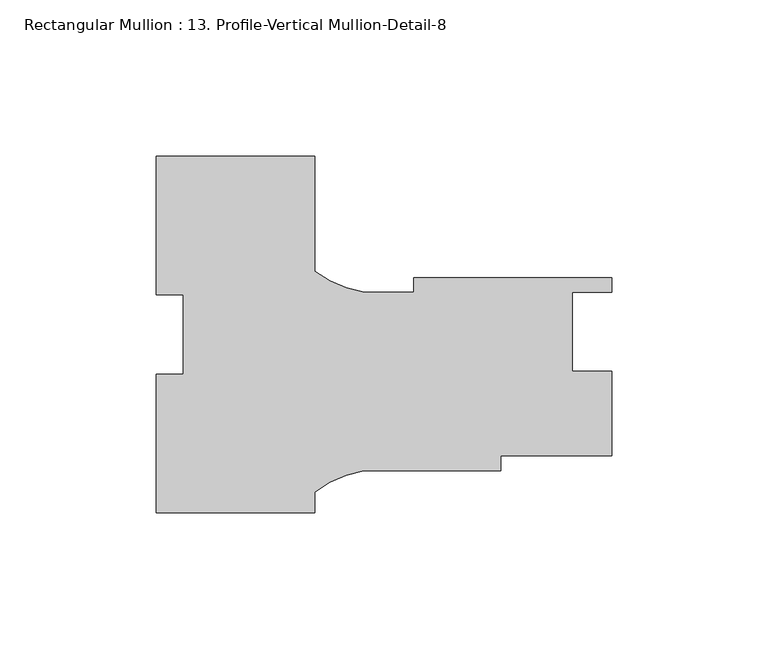
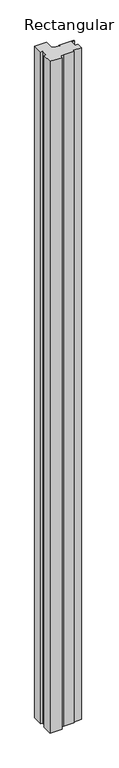
"""IFC4 building model written with IfcOpenShell, lengths in millimetres: member geometry, Rectangular Mullion : 13. Profile-Vertical Mullion-Detail-8."""

from ifc_helpers import new_model, si_unit, point, frame, frame_2d, origin, place, context, project, spatial, polyline, circle_curve, trimmed, segment, composite_curve, outline, extrude, source, transform, mapped, element, save


def rectangular_mullion_13_profile_vertical_mullion_detail_8_fdef3872(model_context):
    return source(origin(), model_context, "Body", "SweptSolid", [
        extrude(outline(composite_curve([segment(polyline([(-25.4, 13.0882322), (-25.4, 57.5055365), (25.4, 57.5055365), (25.4, 20.6795716)]), True, "CONTINUOUS"), segment(trimmed(circle_curve(frame_2d((47.5843006, 50.2236087)), 36.945816), [point((25.4, 20.6795716))], [point((41.2187366, 13.8303))], True, "CARTESIAN"), True, "CONTINUOUS"), segment(polyline([(41.2187366, 13.8303), (57.15, 13.8303), (57.15, 18.5928), (120.65, 18.5928), (120.65, 13.8938), (107.95, 13.8938), (107.95, -11.5062), (120.65, -11.5062), (120.65, -38.5572), (85.0500517, -38.5572), (85.0500517, -43.3197), (41.2172861, -43.3197)]), True, "CONTINUOUS"), segment(trimmed(circle_curve(frame_2d((47.5843006, -79.7127549)), 36.945816), [point((41.2172861, -43.3197))], [point((25.4, -50.1687178))], True, "CARTESIAN"), True, "CONTINUOUS"), segment(polyline([(25.4, -50.1687178), (25.4, -56.7944635), (-25.4, -56.7944635), (-25.4, -12.3994661), (-16.66875, -12.3994661), (-16.66875, 13.0882322), (-25.4, 13.0882322)]), True, "CONTINUOUS")], self_intersect=False)), frame((0.0, 0.0, -3048.0), z_axis=(0.0, 0.0, 1.0), x_axis=(1.0, 0.0, 0.0)), (0.0, 0.0, 1.0), 3048.0),
    ])


if __name__ == "__main__":
    model = new_model("IFC4")
    model_context = context("Model", 3, world=origin())
    ifc_project = project(units=[si_unit("LENGTHUNIT", "METRE", prefix="MILLI")], contexts=[model_context])
    site = spatial("IfcSite", under=ifc_project)
    building = spatial("IfcBuilding", under=site)
    placement = place(None, origin())
    rectangular_mullion_13_profile_vertical_mullion_detail_8_shape = rectangular_mullion_13_profile_vertical_mullion_detail_8_fdef3872(model_context)
    element("IfcMember", 1, ObjectType="Rectangular Mullion : 13. Profile-Vertical Mullion-Detail-8", at=placement, inside=building, context=model_context, shape_type="MappedRepresentation", body=[
        mapped(rectangular_mullion_13_profile_vertical_mullion_detail_8_shape, transform((0.0, 0.0, 0.0), x_axis=(1.0, 0.0, 0.0), y_axis=(0.0, 1.0, 0.0), z_axis=(0.0, 0.0, 1.0))),
    ])
    save(model, "model.ifc")
